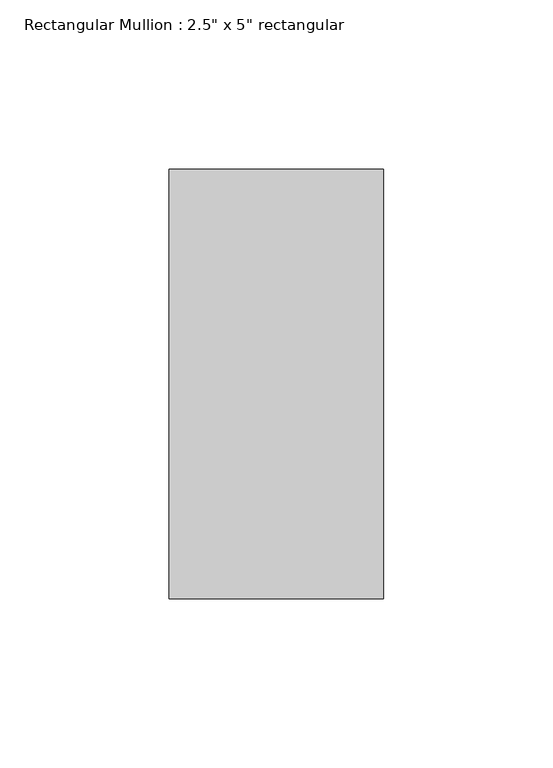
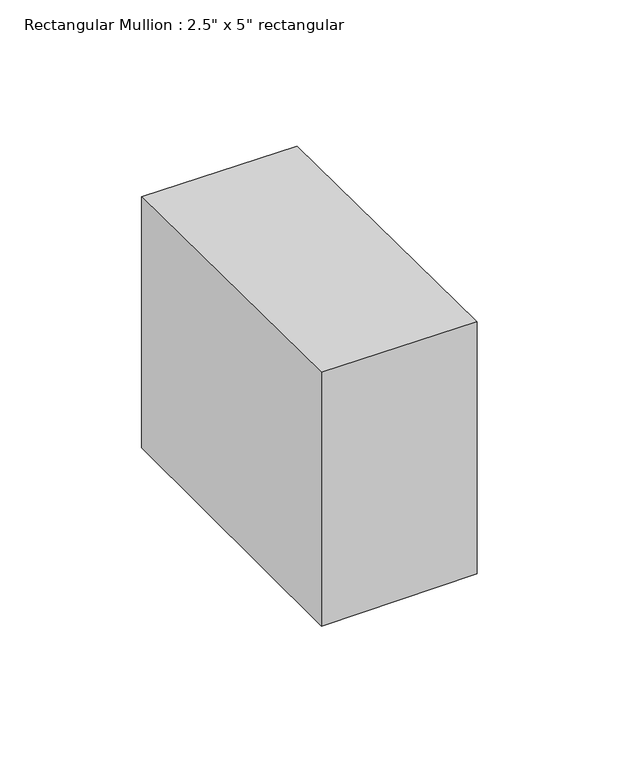
"""IFC4 building model written with IfcOpenShell, lengths in millimetres: member geometry."""

from ifc_helpers import new_model, si_unit, origin, place, context, project, spatial, faceted_brep, source, transform, mapped, element, save


def member_5bb287e6(model_context):
    return source(origin(), model_context, "Body", "Brep", [
        faceted_brep([(-63.5, 63.5, -0.1873419), (0.0, 63.5, -0.7519551), (0.0, 63.5, -107.807791), (-63.5, 63.5, -108.2427691), (-63.5, -63.5, 1.3165682), (-63.5, -63.5, -108.2427691), (0.0, -63.5, 0.7519551), (0.0, -63.5, -107.807791)], [[[0, 1, 2, 3]], [[4, 0, 3, 5]], [[6, 4, 5, 7]], [[1, 6, 7, 2]], [[1, 0, 4, 6]], [[2, 7, 5, 3]]]),
    ])


if __name__ == "__main__":
    model = new_model("IFC4")
    model_context = context("Model", 3, world=origin())
    ifc_project = project(units=[si_unit("LENGTHUNIT", "METRE", prefix="MILLI")], contexts=[model_context])
    site = spatial("IfcSite", under=ifc_project)
    building = spatial("IfcBuilding", under=site)
    placement = place(None, origin())
    member_shape = member_5bb287e6(model_context)
    element("IfcMember", 1, ObjectType="Rectangular Mullion : 2.5\" x 5\" rectangular", at=placement, inside=building, context=model_context, shape_type="MappedRepresentation", body=[
        mapped(member_shape, transform((0.0, 0.0, 0.0), x_axis=(1.0, 0.0, 0.0), y_axis=(0.0, 1.0, 0.0), z_axis=(0.0, 0.0, 1.0))),
    ])
    save(model, "model.ifc")
